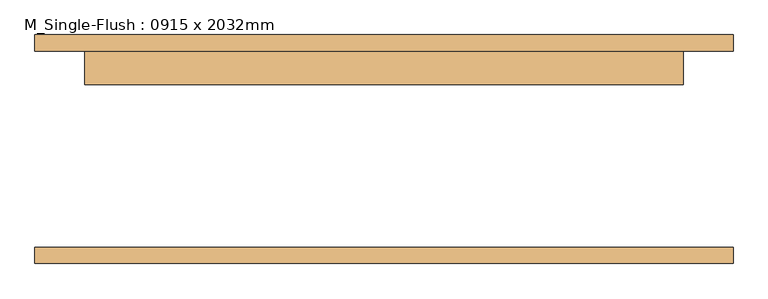
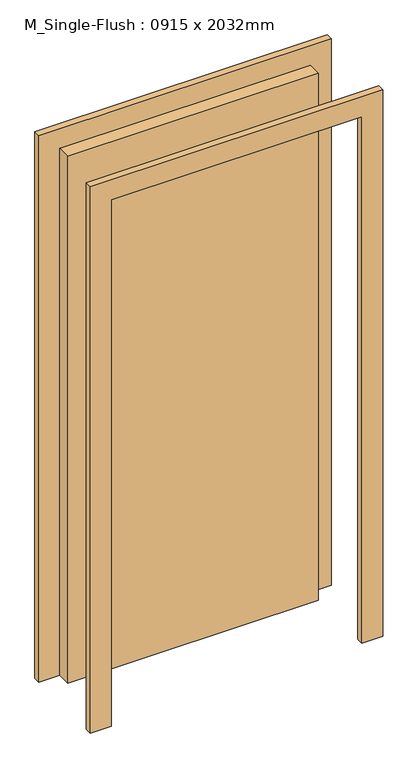
"""IFC4 building model written with IfcOpenShell, lengths in millimetres: door geometry, M_Single-Flush : 0915 x 2032mm."""

from ifc_helpers import new_model, si_unit, frame, origin, origin_with_axes, place, context, project, spatial, polyline, outline, extrude, source, transform, mapped, element, save


def m_single_flush_0915_x_2032mm_c307595f(model_context):
    return source(origin(), model_context, "Body", "SweptSolid", [
        extrude(outline(polyline([(2108.0, -533.5), (0.0, -533.5), (0.0, -457.5), (2032.0, -457.5), (2032.0, 457.5), (0.0, 457.5), (0.0, 533.5), (2108.0, 533.5), (2108.0, -533.5)])), frame((0.0, 150.0, 0.0), z_axis=(0.0, 1.0, 0.0), x_axis=(0.0, 0.0, 1.0)), (0.0, 0.0, 1.0), 25.0),
        extrude(outline(polyline([(2108.0, 533.5), (2108.0, -533.5), (0.0, -533.5), (0.0, -457.5), (2032.0, -457.5), (2032.0, 457.5), (0.0, 457.5), (0.0, 533.5), (2108.0, 533.5)])), frame((0.0, -175.0, 0.0), z_axis=(0.0, 1.0, 0.0), x_axis=(0.0, 0.0, 1.0)), (0.0, 0.0, 1.0), 25.0),
        extrude(outline(polyline([(457.5, 99.0), (-457.5, 99.0), (-457.5, 150.0), (457.5, 150.0), (457.5, 99.0)])), origin_with_axes(), (0.0, 0.0, 1.0), 2032.0),
    ])


if __name__ == "__main__":
    model = new_model("IFC4")
    model_context = context("Model", 3, world=origin())
    ifc_project = project(units=[si_unit("LENGTHUNIT", "METRE", prefix="MILLI")], contexts=[model_context])
    site = spatial("IfcSite", under=ifc_project)
    building = spatial("IfcBuilding", under=site)
    placement = place(None, origin())
    m_single_flush_0915_x_2032mm_shape = m_single_flush_0915_x_2032mm_c307595f(model_context)
    element("IfcDoor", 1, ObjectType="M_Single-Flush : 0915 x 2032mm", at=placement, inside=building, context=model_context, shape_type="MappedRepresentation", body=[
        mapped(m_single_flush_0915_x_2032mm_shape, transform((0.0, 0.0, 0.0), x_axis=(1.0, 0.0, 0.0), y_axis=(0.0, 1.0, 0.0), z_axis=(0.0, 0.0, 1.0))),
    ])
    save(model, "model.ifc")
